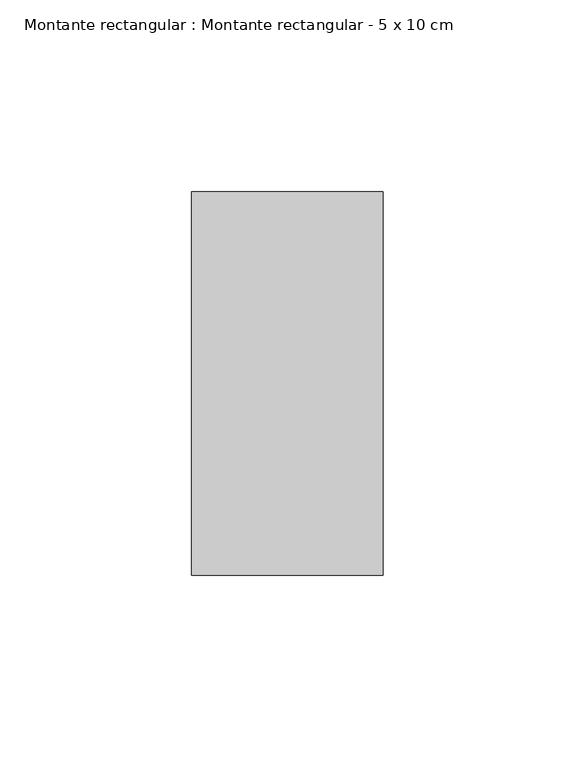
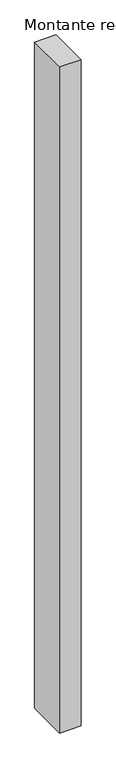
"""IFC4 building model written with IfcOpenShell, lengths in millimetres: member geometry, Montante rectangular : Montante rectangular - 5 x 10 cm."""

from ifc_helpers import new_model, si_unit, frame, origin, place, context, project, spatial, polyline, outline, extrude, source, transform, mapped, element, save


def montante_rectangular_montante_rectangular_5_x_10_cm_c272ed0e(model_context):
    return source(origin(), model_context, "Body", "SweptSolid", [
        extrude(outline(polyline([(0.0, 50.0), (0.0, -50.0), (-50.0, -50.0), (-50.0, 50.0), (0.0, 50.0)])), frame((0.0, 0.0, -1637.5081994), z_axis=(0.0, 0.0, 1.0), x_axis=(1.0, 0.0, 0.0)), (0.0, 0.0, 1.0), 1637.5081994),
    ])


if __name__ == "__main__":
    model = new_model("IFC4")
    model_context = context("Model", 3, world=origin())
    ifc_project = project(units=[si_unit("LENGTHUNIT", "METRE", prefix="MILLI")], contexts=[model_context])
    site = spatial("IfcSite", under=ifc_project)
    building = spatial("IfcBuilding", under=site)
    placement = place(None, origin())
    montante_rectangular_montante_rectangular_5_x_10_cm_shape = montante_rectangular_montante_rectangular_5_x_10_cm_c272ed0e(model_context)
    element("IfcMember", 1, ObjectType="Montante rectangular : Montante rectangular - 5 x 10 cm", at=placement, inside=building, context=model_context, shape_type="MappedRepresentation", body=[
        mapped(montante_rectangular_montante_rectangular_5_x_10_cm_shape, transform((0.0, 0.0, 0.0), x_axis=(1.0, 0.0, 0.0), y_axis=(0.0, 1.0, 0.0), z_axis=(0.0, 0.0, 1.0))),
    ])
    save(model, "model.ifc")
